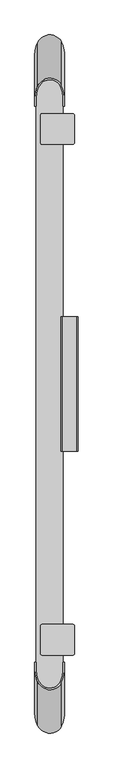
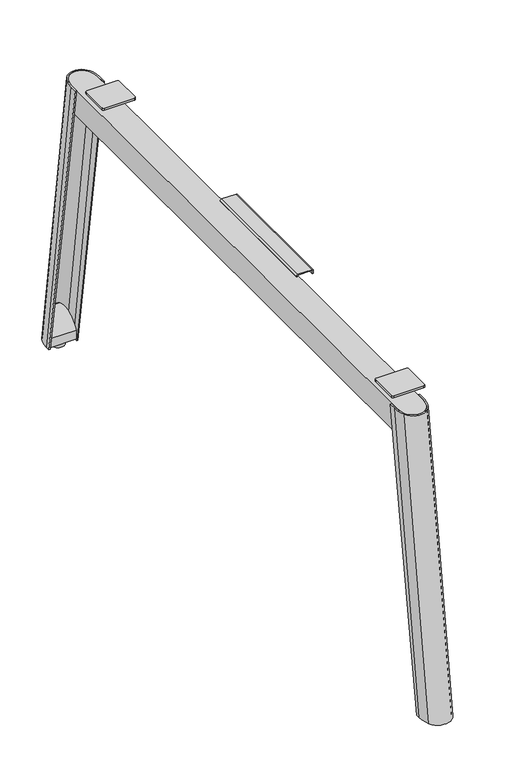
"""IFC4 building model written with IfcOpenShell, lengths in millimetres: furniture geometry."""

from ifc_helpers import new_model, si_unit, point, frame, frame_2d, origin, place, context, project, spatial, polyline, circle_curve, ellipse_curve, trimmed, segment, composite_curve, outline, extrude, source, transform, mapped, element, save
from ifc_brep_helpers import plane_surface, cylinder_surface, extruded_surface, advanced_brep


def furniture_9cd3b379(model_context):
    return source(origin(), model_context, "Body", "SolidModel", [
        advanced_brep(
        [(6.0, 694.5312811, 9.9999392), (6.0, 704.4565799, 9.9999392), (12.3278754, 731.9278157, 9.9999392), (65.9903208, 732.5103717, 9.9999392), (72.000002, 707.657064, 9.9999392), (72.000002, 694.5312811, 9.9999392), (68.8203133, 694.5312811, 9.9999392), (68.8203133, 707.657064, 9.9999392), (64.8959051, 728.2377121, 9.9999392), (13.8271404, 727.926268, 9.9999392), (9.4999998, 704.4565799, 9.9999392), (9.4999998, 694.5312811, 9.9999392), (6.0, 591.0025911, 689.9999617), (9.4999998, 591.0025911, 689.9999617), (9.4999998, 608.2065799, 689.9999617), (13.8271404, 631.676268, 689.9999617), (64.8959051, 631.9877121, 689.9999617), (68.8203133, 611.407064, 689.9999617), (68.8203133, 591.0025911, 689.9999617), (72.000002, 591.0025911, 689.9999617), (72.000002, 611.407064, 689.9999617), (65.9903208, 636.2603717, 689.9999617), (12.3278754, 635.6778157, 689.9999617), (6.0, 608.2065799, 689.9999617)],
        [
            (0, 1),
            (1, 2, circle_curve(frame((68.794442, 704.4565799, 9.9999392), z_axis=(0.0, 0.0, -1.0), x_axis=(1.0, 0.0, 0.0)), 62.794442)),
            (2, 3, circle_curve(frame((39.3047374, 718.8034523, 9.9999392), z_axis=(0.0, 0.0, -1.0), x_axis=(1.0, 0.0, 0.0)), 30.0)),
            (3, 4, circle_curve(frame((17.6041738, 707.657064, 9.9999392), z_axis=(0.0, 0.0, -1.0), x_axis=(1.0, 0.0, 0.0)), 54.3958282)),
            (4, 5),
            (5, 6),
            (6, 7),
            (7, 8, circle_curve(frame((12.8928932, 707.657064, 9.9999392), z_axis=(0.0, 0.0, 1.0), x_axis=(1.0, 0.0, 0.0)), 55.9274201)),
            (8, 9, circle_curve(frame((39.4220553, 718.1562126, 9.9999392), z_axis=(0.0, 0.0, 1.0), x_axis=(1.0, 0.0, 0.0)), 27.3962343)),
            (9, 10, circle_curve(frame((75.3114051, 704.4565799, 9.9999392), z_axis=(0.0, 0.0, 1.0), x_axis=(1.0, 0.0, 0.0)), 65.8114053)),
            (10, 11),
            (11, 0),
            (12, 13),
            (13, 14),
            (14, 15, circle_curve(frame((75.3114051, 608.2065799, 689.9999617), z_axis=(0.0, 0.0, -1.0), x_axis=(1.0, 0.0, 0.0)), 65.8114053)),
            (15, 16, circle_curve(frame((39.4220553, 621.9062126, 689.9999617), z_axis=(0.0, 0.0, -1.0), x_axis=(1.0, 0.0, 0.0)), 27.3962343)),
            (16, 17, circle_curve(frame((12.8928932, 611.407064, 689.9999617), z_axis=(0.0, 0.0, -1.0), x_axis=(1.0, 0.0, 0.0)), 55.9274201)),
            (17, 18),
            (18, 19),
            (19, 20),
            (20, 21, circle_curve(frame((17.6041738, 611.407064, 689.9999617), z_axis=(0.0, 0.0, 1.0), x_axis=(1.0, 0.0, 0.0)), 54.3958282)),
            (21, 22, circle_curve(frame((39.3047374, 622.5534523, 689.9999617), z_axis=(0.0, 0.0, 1.0), x_axis=(1.0, 0.0, 0.0)), 30.0)),
            (22, 23, circle_curve(frame((68.794442, 608.2065799, 689.9999617), z_axis=(0.0, 0.0, 1.0), x_axis=(1.0, 0.0, 0.0)), 62.794442)),
            (23, 12),
            (13, 11),
            (10, 14),
            (9, 15),
            (8, 16),
            (7, 17),
            (6, 18),
            (19, 5),
            (4, 20),
            (3, 21),
            (2, 22),
            (1, 23),
            (0, 12),
        ],
        [
            plane_surface(frame((39.140156, 710.246215, 9.9999392), z_axis=(0.0, 0.0, -1.0), x_axis=(0.0, -1.0, 0.0))),
            plane_surface(frame((39.140156, 611.569985, 689.9999617), z_axis=(0.0, 0.0, 1.0), x_axis=(0.0, -1.0, 0.0))),
            plane_surface(frame((9.4999998, 599.6045855, 689.9999617), z_axis=(1.0, 0.0, 0.0), x_axis=(0.0, -1.0, 0.0))),
            extruded_surface(trimmed(circle_curve(frame((75.3114051, 608.2065799, 689.9999617), z_axis=(0.0, 0.0, 1.0), x_axis=(1.0, 0.0, 0.0)), 65.8114053), [point((13.8271404, 631.676268, 689.9999617))], [point((9.4999998, 608.2065799, 689.9999617))], True, "CARTESIAN"), (0.0, 96.25, -680.0000225), 686.778052284725),
            extruded_surface(trimmed(circle_curve(frame((39.4220553, 621.9062126, 689.9999617), z_axis=(0.0, 0.0, 1.0), x_axis=(1.0, 0.0, 0.0)), 27.3962343), [point((64.8959051, 631.9877121, 689.9999617))], [point((13.8271404, 631.676268, 689.9999617))], True, "CARTESIAN"), (0.0, 96.25, -680.0000225), 686.778052284725),
            extruded_surface(trimmed(circle_curve(frame((12.8928932, 611.407064, 689.9999617), z_axis=(0.0, 0.0, 1.0), x_axis=(1.0, 0.0, 0.0)), 55.9274201), [point((68.8203133, 611.407064, 689.9999617))], [point((64.8959051, 631.9877121, 689.9999617))], True, "CARTESIAN"), (0.0, 96.25, -680.0000225), 686.778052284725),
            plane_surface(frame((68.8203133, 601.2048276, 689.9999617), z_axis=(-1.0, 0.0, 0.0), x_axis=(0.0, 1.0, 0.0))),
            plane_surface(frame((72.000002, 601.2048276, 689.9999617), z_axis=(1.0, 0.0, 0.0), x_axis=(0.0, -1.0, 0.0))),
            extruded_surface(trimmed(circle_curve(frame((17.6041738, 611.407064, 689.9999617), z_axis=(0.0, 0.0, -1.0), x_axis=(1.0, 0.0, 0.0)), 54.3958282), [point((65.9903208, 636.2603717, 689.9999617))], [point((72.000002, 611.407064, 689.9999617))], True, "CARTESIAN"), (0.0, 96.25, -680.0000225), 686.778052284725),
            extruded_surface(trimmed(circle_curve(frame((39.3047374, 622.5534523, 689.9999617), z_axis=(0.0, 0.0, -1.0), x_axis=(1.0, 0.0, 0.0)), 30.0), [point((12.3278754, 635.6778157, 689.9999617))], [point((65.9903208, 636.2603717, 689.9999617))], True, "CARTESIAN"), (0.0, 96.25, -680.0000225), 686.778052284725),
            extruded_surface(trimmed(circle_curve(frame((68.794442, 608.2065799, 689.9999617), z_axis=(0.0, 0.0, -1.0), x_axis=(1.0, 0.0, 0.0)), 62.794442), [point((6.0, 608.2065799, 689.9999617))], [point((12.3278754, 635.6778157, 689.9999617))], True, "CARTESIAN"), (0.0, 96.25, -680.0000225), 686.778052284725),
            plane_surface(frame((6.0, 599.6045855, 689.9999617), z_axis=(-1.0, 0.0, 0.0), x_axis=(0.0, 1.0, 0.0))),
            plane_surface(frame((70.4101576, 591.0025911, 689.9999617), z_axis=(0.0, -0.9886079312598013, -0.15051364805297882), x_axis=(-1.0, 0.0, 0.0))),
            plane_surface(frame((7.7499999, 591.0025911, 689.9999617), z_axis=(0.0, -0.9886079312598013, -0.15051364805297882), x_axis=(-1.0, 0.0, 0.0))),
        ],
        [
            (0, [[1, 2, 3, 4, 5, 6, 7, 8, 9, 10, 11, 12]]),
            (1, [[13, 14, 15, 16, 17, 18, 19, 20, 21, 22, 23, 24]]),
            (2, [[-14, 25, -11, 26]]),
            (3, [[-15, -26, -10, 27]]),
            (4, [[-16, -27, -9, 28]]),
            (5, [[-17, -28, -8, 29]]),
            (6, [[-18, -29, -7, 30]]),
            (7, [[-20, 31, -5, 32]]),
            (8, [[-21, -32, -4, 33]]),
            (9, [[-22, -33, -3, 34]]),
            (10, [[-23, -34, -2, 35]]),
            (11, [[-24, -35, -1, 36]]),
            (12, [[-19, -30, -6, -31]]),
            (13, [[-13, -36, -12, -25]]),
        ],
    ),
        advanced_brep(
        [(54.0138053, 731.4424459, 83.9457941), (24.3065078, 731.4424459, 83.9457941), (68.8203133, 694.5312811, 13.8007201), (9.4999998, 694.5312811, 13.8007201), (9.4999998, 705.7696194, 13.8007201), (68.8203133, 705.7696194, 13.8007201), (68.8203133, 705.7696194, 49.8768028), (68.8203133, 694.5312811, 34.9630241), (9.4999998, 705.7696194, 49.8768028), (9.4999998, 694.5312811, 34.9630241)],
        [
            (0, 1, circle_curve(frame((39.1601565, 705.7696194, 83.9457941), z_axis=(0.0, 0.0, 1.0), x_axis=(1.0, 0.0, 0.0)), 29.6601567)),
            (1, 0),
            (2, 3),
            (3, 4),
            (4, 5, circle_curve(frame((39.1601565, 705.7696194, 13.8007201), z_axis=(0.0, 0.0, -1.0), x_axis=(1.0, 0.0, 0.0)), 29.6601567)),
            (5, 2),
            (5, 6),
            (6, 7),
            (7, 2),
            (4, 8),
            (8, 1, ellipse_curve(frame((39.1601565, 705.7696194, 49.8768028), z_axis=(0.0, 0.7986355100473108, -0.6018150231520244), x_axis=(0.0, 0.6018150231520243, 0.7986355100473108)), 49.284507, 29.6601567)),
            (0, 6, ellipse_curve(frame((39.1601565, 705.7696194, 49.8768028), z_axis=(0.0, 0.7986355100473108, -0.6018150231520244), x_axis=(0.0, 0.6018150231520243, 0.7986355100473108)), 49.284507, 29.6601567)),
            (3, 9),
            (9, 8),
            (7, 9),
        ],
        [
            plane_surface(frame((9.4999998, -743.5060312, 83.9457941), z_axis=(0.0, 0.0, 1.0), x_axis=(-1.0, 0.0, 0.0))),
            plane_surface(frame((9.4999998, -743.5060312, 13.8007201), z_axis=(0.0, 0.0, -1.0), x_axis=(1.0, 0.0, 0.0))),
            plane_surface(frame((68.8203133, 694.5312811, 83.9457941), z_axis=(1.0, 0.0, 0.0), x_axis=(0.0, 0.0, -1.0))),
            cylinder_surface(frame((39.1601565, 705.7696194, 0.0), z_axis=(0.0, 0.0, 1.0), x_axis=(1.0, 0.0, 0.0)), 29.6601567),
            plane_surface(frame((9.4999998, 705.7696194, 83.9457941), z_axis=(-1.0, 0.0, 0.0), x_axis=(0.0, 0.0, -1.0))),
            plane_surface(frame((9.4999998, 694.5312811, 83.9457941), z_axis=(0.0, -1.0, 0.0), x_axis=(0.0, 0.0, -1.0))),
            plane_surface(frame((78.517827, 686.8291209, 24.7419123), z_axis=(0.0, -0.7986355100473108, 0.6018150231520244), x_axis=(-1.0, 0.0, 0.0))),
        ],
        [
            (0, [[1, 2]]),
            (1, [[3, 4, 5, 6]]),
            (2, [[-6, 7, 8, 9]]),
            (3, [[-5, 10, 11, -1, 12, -7]]),
            (4, [[-4, 13, 14, -10]]),
            (5, [[-3, -9, 15, -13]]),
            (6, [[-2, -11, -14, -15, -8, -12]]),
        ],
    ),
        advanced_brep(
        [(25.4867952, -781.4424459, 83.9457941), (52.8335179, -781.4424459, 83.9457941), (68.8203133, -743.5060312, 13.8007201), (68.8203133, -755.1220339, 13.8007201), (9.4999998, -755.1220339, 13.8007201), (9.4999998, -743.5060312, 13.8007201), (9.4999998, -743.5060312, 33.6024715), (68.8203133, -743.5060312, 33.6024715), (9.4999998, -755.1220339, 49.0174277), (68.8203133, -755.1220339, 49.0174277)],
        [
            (0, 1, circle_curve(frame((39.1601565, -755.1220339, 83.9457941), z_axis=(0.0, 0.0, 1.0), x_axis=(1.0, 0.0, 0.0)), 29.6601567)),
            (1, 0),
            (2, 3),
            (3, 4, circle_curve(frame((39.1601565, -755.1220339, 13.8007201), z_axis=(0.0, 0.0, -1.0), x_axis=(1.0, 0.0, 0.0)), 29.6601567)),
            (4, 5),
            (5, 2),
            (5, 6),
            (6, 7),
            (7, 2),
            (4, 8),
            (8, 6),
            (3, 9),
            (9, 1, ellipse_curve(frame((39.1601565, -755.1220339, 49.0174277), z_axis=(0.0, -0.7986355100473068, -0.6018150231520298), x_axis=(0.0, -0.60181502315203, 0.7986355100473068)), 49.284507, 29.6601567)),
            (0, 8, ellipse_curve(frame((39.1601565, -755.1220339, 49.0174277), z_axis=(0.0, -0.7986355100473068, -0.6018150231520298), x_axis=(0.0, -0.60181502315203, 0.7986355100473068)), 49.284507, 29.6601567)),
            (7, 9),
        ],
        [
            plane_surface(frame((9.4999998, -743.5060312, 83.9457941), z_axis=(0.0, 0.0, 1.0), x_axis=(-1.0, 0.0, 0.0))),
            plane_surface(frame((9.4999998, -743.5060312, 13.8007201), z_axis=(0.0, 0.0, -1.0), x_axis=(1.0, 0.0, 0.0))),
            plane_surface(frame((68.8203133, -743.5060312, 83.9457941), z_axis=(0.0, 1.0, 0.0), x_axis=(0.0, 0.0, -1.0))),
            plane_surface(frame((9.4999998, -743.5060312, 83.9457941), z_axis=(-1.0, 0.0, 0.0), x_axis=(0.0, 0.0, -1.0))),
            cylinder_surface(frame((39.1601565, -755.1220339, 13.8007201), z_axis=(0.0, 0.0, 1.0), x_axis=(1.0, 0.0, 0.0)), 29.6601567),
            plane_surface(frame((68.8203133, -755.1220339, 83.9457941), z_axis=(1.0, 0.0, 0.0), x_axis=(0.0, 0.0, -1.0))),
            plane_surface(frame((78.517827, -784.9743228, 88.6327531), z_axis=(0.0, 0.7986355100473068, 0.6018150231520298), x_axis=(-1.0, 0.0, 0.0))),
        ],
        [
            (0, [[1, 2]]),
            (1, [[3, 4, 5, 6]]),
            (2, [[-6, 7, 8, 9]]),
            (3, [[-5, 10, 11, -7]]),
            (4, [[-4, 12, 13, -1, 14, -10]]),
            (5, [[-3, -9, 15, -12]]),
            (6, [[-2, -13, -15, -8, -11, -14]]),
        ],
    ),
        advanced_brep(
        [(39.0898793, -765.95, 0.0), (24.8827886, -765.95, 0.0), (53.2969699, -765.95, 0.0), (24.8827886, -765.95, 8.4999997), (53.2969699, -765.95, 8.4999997), (34.0654403, -765.95, 8.4999997), (44.1143182, -765.95, 8.4999997), (34.0654403, -765.95, 16.425781), (44.1143182, -765.95, 16.425781), (39.0898793, -765.95, 16.425781)],
        [
            (0, 1),
            (1, 2, circle_curve(frame((39.0898793, -765.95, 0.0), z_axis=(0.0, 0.0, -1.0), x_axis=(-1.0, 0.0, 0.0)), 14.2070907)),
            (2, 0),
            (2, 1, circle_curve(frame((39.0898793, -765.95, 0.0), z_axis=(0.0, 0.0, -1.0), x_axis=(-1.0, 0.0, 0.0)), 14.2070907)),
            (1, 3),
            (3, 4, circle_curve(frame((39.0898793, -765.95, 8.4999997), z_axis=(0.0, 0.0, -1.0), x_axis=(-1.0, 0.0, 0.0)), 14.2070907)),
            (4, 2),
            (4, 3, circle_curve(frame((39.0898793, -765.95, 8.4999997), z_axis=(0.0, 0.0, -1.0), x_axis=(-1.0, 0.0, 0.0)), 14.2070907)),
            (3, 5),
            (5, 6, circle_curve(frame((39.0898793, -765.95, 8.4999997), z_axis=(0.0, 0.0, -1.0), x_axis=(-1.0, 0.0, 0.0)), 5.024439)),
            (6, 4),
            (6, 5, circle_curve(frame((39.0898793, -765.95, 8.4999997), z_axis=(0.0, 0.0, -1.0), x_axis=(-1.0, 0.0, 0.0)), 5.024439)),
            (5, 7),
            (7, 8, circle_curve(frame((39.0898793, -765.95, 16.425781), z_axis=(0.0, 0.0, -1.0), x_axis=(-1.0, 0.0, 0.0)), 5.024439)),
            (8, 6),
            (8, 7, circle_curve(frame((39.0898793, -765.95, 16.425781), z_axis=(0.0, 0.0, -1.0), x_axis=(-1.0, 0.0, 0.0)), 5.024439)),
            (7, 9),
            (9, 8),
        ],
        [
            plane_surface(frame((39.0898793, -765.95, 0.0), z_axis=(0.0, 0.0, -1.0), x_axis=(-1.0, 0.0, 0.0))),
            cylinder_surface(frame((39.0898793, -765.95, 16.425781), z_axis=(0.0, 0.0, -1.0), x_axis=(-1.0, 0.0, 0.0)), 14.2070907),
            plane_surface(frame((39.0898793, -765.95, 8.4999997), z_axis=(0.0, 0.0, 1.0), x_axis=(-1.0, 0.0, 0.0))),
            cylinder_surface(frame((39.0898793, -765.95, 16.425781), z_axis=(0.0, 0.0, -1.0), x_axis=(-1.0, 0.0, 0.0)), 5.024439),
            plane_surface(frame((39.0898793, -765.95, 16.425781), z_axis=(0.0, 0.0, 1.0), x_axis=(-1.0, 0.0, 0.0))),
        ],
        [
            (0, [[1, 2, 3]]),
            (0, [[-3, 4, -1]]),
            (1, [[-2, 5, 6, 7]]),
            (1, [[-4, -7, 8, -5]]),
            (2, [[-6, 9, 10, 11]]),
            (2, [[-8, -11, 12, -9]]),
            (3, [[-10, 13, 14, 15]]),
            (3, [[-12, -15, 16, -13]]),
            (4, [[-14, 17, 18]]),
            (4, [[-16, -18, -17]]),
        ],
    ),
        advanced_brep(
        [(53.2969699, 715.95, 0.0), (24.8827886, 715.95, 0.0), (39.0898793, 715.95, 0.0), (53.2969699, 715.95, 8.4999997), (24.8827886, 715.95, 8.4999997), (44.1143182, 715.95, 8.4999997), (34.0654403, 715.95, 8.4999997), (44.1143182, 715.95, 16.425781), (34.0654403, 715.95, 16.425781), (39.0898793, 715.95, 16.425781)],
        [
            (0, 1, circle_curve(frame((39.0898793, 715.95, 0.0), z_axis=(0.0, 0.0, -1.0), x_axis=(-1.0, 0.0, 0.0)), 14.2070907)),
            (1, 2),
            (2, 0),
            (1, 0, circle_curve(frame((39.0898793, 715.95, 0.0), z_axis=(0.0, 0.0, -1.0), x_axis=(-1.0, 0.0, 0.0)), 14.2070907)),
            (3, 4, circle_curve(frame((39.0898793, 715.95, 8.4999997), z_axis=(0.0, 0.0, -1.0), x_axis=(-1.0, 0.0, 0.0)), 14.2070907)),
            (4, 1),
            (0, 3),
            (4, 3, circle_curve(frame((39.0898793, 715.95, 8.4999997), z_axis=(0.0, 0.0, -1.0), x_axis=(-1.0, 0.0, 0.0)), 14.2070907)),
            (5, 6, circle_curve(frame((39.0898793, 715.95, 8.4999997), z_axis=(0.0, 0.0, -1.0), x_axis=(-1.0, 0.0, 0.0)), 5.024439)),
            (6, 4),
            (3, 5),
            (6, 5, circle_curve(frame((39.0898793, 715.95, 8.4999997), z_axis=(0.0, 0.0, -1.0), x_axis=(-1.0, 0.0, 0.0)), 5.024439)),
            (7, 8, circle_curve(frame((39.0898793, 715.95, 16.425781), z_axis=(0.0, 0.0, -1.0), x_axis=(-1.0, 0.0, 0.0)), 5.024439)),
            (8, 6),
            (5, 7),
            (8, 7, circle_curve(frame((39.0898793, 715.95, 16.425781), z_axis=(0.0, 0.0, -1.0), x_axis=(-1.0, 0.0, 0.0)), 5.024439)),
            (9, 8),
            (7, 9),
        ],
        [
            plane_surface(frame((39.0898793, 715.95, 0.0), z_axis=(0.0, 0.0, -1.0), x_axis=(-1.0, 0.0, 0.0))),
            cylinder_surface(frame((39.0898793, 715.95, 16.425781), z_axis=(0.0, 0.0, 1.0), x_axis=(-1.0, 0.0, 0.0)), 14.2070907),
            plane_surface(frame((39.0898793, 715.95, 8.4999997), z_axis=(0.0, 0.0, 1.0), x_axis=(-1.0, 0.0, 0.0))),
            cylinder_surface(frame((39.0898793, 715.95, 16.425781), z_axis=(0.0, 0.0, 1.0), x_axis=(-1.0, 0.0, 0.0)), 5.024439),
            plane_surface(frame((39.0898793, 715.95, 16.425781), z_axis=(0.0, 0.0, 1.0), x_axis=(-1.0, 0.0, 0.0))),
        ],
        [
            (0, [[1, 2, 3]]),
            (0, [[4, -3, -2]]),
            (1, [[5, 6, -1, 7]]),
            (1, [[8, -7, -4, -6]]),
            (2, [[9, 10, -5, 11]]),
            (2, [[12, -11, -8, -10]]),
            (3, [[13, 14, -9, 15]]),
            (3, [[16, -15, -12, -14]]),
            (4, [[17, -13, 18]]),
            (4, [[-18, -16, -17]]),
        ],
    ),
        advanced_brep(
        [(6.0, -744.5312811, 9.9999392), (9.4999998, -744.5312811, 9.9999392), (9.4999998, -753.8089943, 9.9999392), (13.8271404, -777.2786824, 9.9999392), (64.8959051, -777.5901265, 9.9999392), (68.8203133, -757.0094785, 9.9999392), (68.8203133, -744.5312811, 9.9999392), (72.000002, -744.5312811, 9.9999392), (72.000002, -757.0094785, 9.9999392), (65.9903208, -781.8627861, 9.9999392), (12.3278754, -781.2802302, 9.9999392), (6.0, -753.8089943, 9.9999392), (6.0, -641.0025911, 689.9999617), (6.0, -657.5589943, 689.9999617), (12.3278754, -685.0302302, 689.9999617), (65.9903208, -685.6127861, 689.9999617), (72.000002, -660.7594785, 689.9999617), (72.000002, -641.0025911, 689.9999617), (68.8203133, -641.0025911, 689.9999617), (68.8203133, -660.7594785, 689.9999617), (64.8959051, -681.3401265, 689.9999617), (13.8271404, -681.0286824, 689.9999617), (9.4999998, -657.5589943, 689.9999617), (9.4999998, -641.0025911, 689.9999617)],
        [
            (0, 1),
            (1, 2),
            (2, 3, circle_curve(frame((75.3114051, -753.8089943, 9.9999392), z_axis=(0.0, 0.0, 1.0), x_axis=(1.0, 0.0, 0.0)), 65.8114053)),
            (3, 4, circle_curve(frame((39.4220553, -767.5086271, 9.9999392), z_axis=(0.0, 0.0, 1.0), x_axis=(1.0, 0.0, 0.0)), 27.3962343)),
            (4, 5, circle_curve(frame((12.8928932, -757.0094785, 9.9999392), z_axis=(0.0, 0.0, 1.0), x_axis=(1.0, 0.0, 0.0)), 55.9274201)),
            (5, 6),
            (6, 7),
            (7, 8),
            (8, 9, circle_curve(frame((17.6041738, -757.0094785, 9.9999392), z_axis=(0.0, 0.0, -1.0), x_axis=(1.0, 0.0, 0.0)), 54.3958282)),
            (9, 10, circle_curve(frame((39.3047374, -768.1558668, 9.9999392), z_axis=(0.0, 0.0, -1.0), x_axis=(1.0, 0.0, 0.0)), 30.0)),
            (10, 11, circle_curve(frame((68.794442, -753.8089943, 9.9999392), z_axis=(0.0, 0.0, -1.0), x_axis=(1.0, 0.0, 0.0)), 62.794442)),
            (11, 0),
            (12, 13),
            (13, 14, circle_curve(frame((68.794442, -657.5589943, 689.9999617), z_axis=(0.0, 0.0, 1.0), x_axis=(1.0, 0.0, 0.0)), 62.794442)),
            (14, 15, circle_curve(frame((39.3047374, -671.9058668, 689.9999617), z_axis=(0.0, 0.0, 1.0), x_axis=(1.0, 0.0, 0.0)), 30.0)),
            (15, 16, circle_curve(frame((17.6041738, -660.7594785, 689.9999617), z_axis=(0.0, 0.0, 1.0), x_axis=(1.0, 0.0, 0.0)), 54.3958282)),
            (16, 17),
            (17, 18),
            (18, 19),
            (19, 20, circle_curve(frame((12.8928932, -660.7594785, 689.9999617), z_axis=(0.0, 0.0, -1.0), x_axis=(1.0, 0.0, 0.0)), 55.9274201)),
            (20, 21, circle_curve(frame((39.4220553, -671.2586271, 689.9999617), z_axis=(0.0, 0.0, -1.0), x_axis=(1.0, 0.0, 0.0)), 27.3962343)),
            (21, 22, circle_curve(frame((75.3114051, -657.5589943, 689.9999617), z_axis=(0.0, 0.0, -1.0), x_axis=(1.0, 0.0, 0.0)), 65.8114053)),
            (22, 23),
            (23, 12),
            (22, 2),
            (1, 23),
            (21, 3),
            (20, 4),
            (19, 5),
            (18, 6),
            (16, 8),
            (7, 17),
            (15, 9),
            (14, 10),
            (13, 11),
            (12, 0),
        ],
        [
            plane_surface(frame((39.140156, -759.8144913, 9.9999392), z_axis=(0.0, 0.0, -1.0), x_axis=(0.0, -1.0, 0.0))),
            plane_surface(frame((39.140156, -661.1382613, 689.9999617), z_axis=(0.0, 0.0, 1.0), x_axis=(0.0, -1.0, 0.0))),
            plane_surface(frame((9.4999998, -649.2807927, 689.9999617), z_axis=(1.0, 0.0, 0.0), x_axis=(0.0, -1.0, 0.0))),
            extruded_surface(trimmed(circle_curve(frame((75.3114051, -657.5589943, 689.9999617), z_axis=(0.0, 0.0, 1.0), x_axis=(1.0, 0.0, 0.0)), 65.8114053), [point((9.4999998, -657.5589943, 689.9999617))], [point((13.8271404, -681.0286824, 689.9999617))], True, "CARTESIAN"), (0.0, -96.25, -680.0000225), 686.778052284725),
            extruded_surface(trimmed(circle_curve(frame((39.4220553, -671.2586271, 689.9999617), z_axis=(0.0, 0.0, 1.0), x_axis=(1.0, 0.0, 0.0)), 27.3962343), [point((13.8271404, -681.0286824, 689.9999617))], [point((64.8959051, -681.3401265, 689.9999617))], True, "CARTESIAN"), (0.0, -96.25, -680.0000225), 686.778052284725),
            extruded_surface(trimmed(circle_curve(frame((12.8928932, -660.7594785, 689.9999617), z_axis=(0.0, 0.0, 1.0), x_axis=(1.0, 0.0, 0.0)), 55.9274201), [point((64.8959051, -681.3401265, 689.9999617))], [point((68.8203133, -660.7594785, 689.9999617))], True, "CARTESIAN"), (0.0, -96.25, -680.0000225), 686.778052284725),
            plane_surface(frame((68.8203133, -650.8810348, 689.9999617), z_axis=(-1.0, 0.0, 0.0), x_axis=(0.0, 1.0, 0.0))),
            plane_surface(frame((72.000002, -650.8810348, 689.9999617), z_axis=(1.0, 0.0, 0.0), x_axis=(0.0, -1.0, 0.0))),
            extruded_surface(trimmed(circle_curve(frame((17.6041738, -660.7594785, 689.9999617), z_axis=(0.0, 0.0, -1.0), x_axis=(1.0, 0.0, 0.0)), 54.3958282), [point((72.000002, -660.7594785, 689.9999617))], [point((65.9903208, -685.6127861, 689.9999617))], True, "CARTESIAN"), (0.0, -96.25, -680.0000225), 686.778052284725),
            extruded_surface(trimmed(circle_curve(frame((39.3047374, -671.9058668, 689.9999617), z_axis=(0.0, 0.0, -1.0), x_axis=(1.0, 0.0, 0.0)), 30.0), [point((65.9903208, -685.6127861, 689.9999617))], [point((12.3278754, -685.0302302, 689.9999617))], True, "CARTESIAN"), (0.0, -96.25, -680.0000225), 686.778052284725),
            extruded_surface(trimmed(circle_curve(frame((68.794442, -657.5589943, 689.9999617), z_axis=(0.0, 0.0, -1.0), x_axis=(1.0, 0.0, 0.0)), 62.794442), [point((12.3278754, -685.0302302, 689.9999617))], [point((6.0, -657.5589943, 689.9999617))], True, "CARTESIAN"), (0.0, -96.25, -680.0000225), 686.778052284725),
            plane_surface(frame((6.0, -649.2807927, 689.9999617), z_axis=(-1.0, 0.0, 0.0), x_axis=(0.0, 1.0, 0.0))),
            plane_surface(frame((70.4101576, -641.0025911, 689.9999617), z_axis=(0.0, 0.9886079312598016, -0.1505136480529775), x_axis=(1.0, 0.0, 0.0))),
            plane_surface(frame((7.7499999, -641.0025911, 689.9999617), z_axis=(0.0, 0.9886079312598016, -0.1505136480529775), x_axis=(1.0, 0.0, 0.0))),
        ],
        [
            (0, [[1, 2, 3, 4, 5, 6, 7, 8, 9, 10, 11, 12]]),
            (1, [[13, 14, 15, 16, 17, 18, 19, 20, 21, 22, 23, 24]]),
            (2, [[-23, 25, -2, 26]]),
            (3, [[-22, 27, -3, -25]]),
            (4, [[-21, 28, -4, -27]]),
            (5, [[-20, 29, -5, -28]]),
            (6, [[-19, 30, -6, -29]]),
            (7, [[-17, 31, -8, 32]]),
            (8, [[-16, 33, -9, -31]]),
            (9, [[-15, 34, -10, -33]]),
            (10, [[-14, 35, -11, -34]]),
            (11, [[-13, 36, -12, -35]]),
            (12, [[-18, -32, -7, -30]]),
            (13, [[-24, -26, -1, -36]]),
        ],
    ),
        extrude(outline(composite_curve([segment(polyline([(684.9999762, 101.9999968), (692.2639206, 101.9999968)]), True, "CONTINUOUS"), segment(trimmed(circle_curve(frame_2d((692.2639206, 99.2639174)), 2.7360794), [point((692.2639206, 101.9999968))], [point((695.0, 99.2639174))], False, "CARTESIAN"), True, "CONTINUOUS"), segment(polyline([(695.0, 99.2639174), (695.0, 67.4243659)]), True, "CONTINUOUS"), segment(trimmed(circle_curve(frame_2d((691.5717269, 67.4243659)), 3.4282731), [point((695.0, 67.4243659))], [point((691.5717269, 63.9960928))], False, "CARTESIAN"), True, "CONTINUOUS"), segment(polyline([(691.5717269, 63.9960928), (659.9999033, 63.9960928), (659.9999033, 66.0000003), (691.8821336, 66.0000003)]), True, "CONTINUOUS"), segment(trimmed(circle_curve(frame_2d((691.8821336, 67.1177906)), 1.1177903), [point((691.8821336, 66.0000003))], [point((692.9999239, 67.1177906))], True, "CARTESIAN"), True, "CONTINUOUS"), segment(polyline([(692.9999239, 67.1177906), (692.9999239, 99.3771905)]), True, "CONTINUOUS"), segment(trimmed(circle_curve(frame_2d((692.3771136, 99.3771905)), 0.6228103), [point((692.9999239, 99.3771905))], [point((692.3771136, 100.0000008))], True, "CARTESIAN"), True, "CONTINUOUS"), segment(polyline([(692.3771136, 100.0000008), (684.9999762, 100.0000008), (684.9999762, 101.9999968)]), True, "CONTINUOUS")], self_intersect=False)), frame((0.0, -173.7072561, 0.0), z_axis=(0.0, 1.0, 0.0), x_axis=(0.0, 0.0, 1.0)), (0.0, 0.0, 1.0), 297.4145122),
        extrude(outline(composite_curve([segment(trimmed(circle_curve(frame_2d((90.5088092, 570.5613339)), 3.4951004), [point((90.5088092, 574.0564343))], [point((94.0039096, 570.5613339))], False, "CARTESIAN"), True, "CONTINUOUS"), segment(polyline([(94.0039096, 570.5613339), (94.0039096, 509.5564425)]), True, "CONTINUOUS"), segment(trimmed(circle_curve(frame_2d((90.5039096, 509.5564425)), 3.5), [point((94.0039096, 509.5564425))], [point((90.5039096, 506.0564425))], False, "CARTESIAN"), True, "CONTINUOUS"), segment(polyline([(90.5039096, 506.0564425), (22.5039068, 506.0564425)]), True, "CONTINUOUS"), segment(trimmed(circle_curve(frame_2d((22.5039068, 509.5564425)), 3.5), [point((22.5039068, 506.0564425))], [point((19.0039068, 509.5564425))], False, "CARTESIAN"), True, "CONTINUOUS"), segment(polyline([(19.0039068, 509.5564425), (19.0039068, 570.5564343)]), True, "CONTINUOUS"), segment(trimmed(circle_curve(frame_2d((22.5039068, 570.5564343)), 3.5), [point((19.0039068, 570.5564343))], [point((22.5039068, 574.0564343))], False, "CARTESIAN"), True, "CONTINUOUS"), segment(polyline([(22.5039068, 574.0564343), (90.5088092, 574.0564343)]), True, "CONTINUOUS")], self_intersect=False)), frame((0.0, 0.0, 689.9999617), z_axis=(0.0, 0.0, 1.0), x_axis=(1.0, 0.0, 0.0)), (0.0, 0.0, 1.0), 5.0000383),
        extrude(outline(composite_curve([segment(polyline([(90.5088092, -625.3064343), (22.5039068, -625.3064343)]), True, "CONTINUOUS"), segment(trimmed(circle_curve(frame_2d((22.5039068, -621.8064343)), 3.5), [point((22.5039068, -625.3064343))], [point((19.0039068, -621.8064343))], False, "CARTESIAN"), True, "CONTINUOUS"), segment(polyline([(19.0039068, -621.8064343), (19.0039068, -560.8064425)]), True, "CONTINUOUS"), segment(trimmed(circle_curve(frame_2d((22.5039068, -560.8064425)), 3.5), [point((19.0039068, -560.8064425))], [point((22.5039068, -557.3064425))], False, "CARTESIAN"), True, "CONTINUOUS"), segment(polyline([(22.5039068, -557.3064425), (90.5039096, -557.3064425)]), True, "CONTINUOUS"), segment(trimmed(circle_curve(frame_2d((90.5039096, -560.8064425)), 3.5), [point((90.5039096, -557.3064425))], [point((94.0039096, -560.8064425))], False, "CARTESIAN"), True, "CONTINUOUS"), segment(polyline([(94.0039096, -560.8064425), (94.0039096, -621.8113339)]), True, "CONTINUOUS"), segment(trimmed(circle_curve(frame_2d((90.5088092, -621.8113339)), 3.4951004), [point((94.0039096, -621.8113339))], [point((90.5088092, -625.3064343))], False, "CARTESIAN"), True, "CONTINUOUS")], self_intersect=False)), frame((0.0, 0.0, 689.9999617), z_axis=(0.0, 0.0, 1.0), x_axis=(1.0, 0.0, 0.0)), (0.0, 0.0, 1.0), 5.0000383),
        extrude(outline(composite_curve([segment(trimmed(circle_curve(frame_2d((39.1601565, 620.017596)), 29.6601567), [point((9.4999998, 620.017596))], [point((68.8203133, 620.017596))], False, "CARTESIAN"), True, "CONTINUOUS"), segment(polyline([(68.8203133, 620.017596), (68.8203133, -669.5794427)]), True, "CONTINUOUS"), segment(trimmed(circle_curve(frame_2d((39.1601565, -669.5794427)), 29.6601567), [point((68.8203133, -669.5794427))], [point((9.4999998, -669.5794427))], False, "CARTESIAN"), True, "CONTINUOUS"), segment(polyline([(9.4999998, -669.5794427), (9.4999998, 620.017596)]), True, "CONTINUOUS")], self_intersect=False)), frame((0.0, 0.0, 629.5582913), z_axis=(0.0, 0.0, 1.0), x_axis=(1.0, 0.0, 0.0)), (0.0, 0.0, 1.0), 60.4416704),
    ])


if __name__ == "__main__":
    model = new_model("IFC4")
    model_context = context("Model", 3, world=origin())
    ifc_project = project(units=[si_unit("LENGTHUNIT", "METRE", prefix="MILLI")], contexts=[model_context])
    site = spatial("IfcSite", under=ifc_project)
    building = spatial("IfcBuilding", under=site)
    placement = place(None, origin())
    furniture_shape = furniture_9cd3b379(model_context)
    element("IfcFurniture", 1, at=placement, inside=building, context=model_context, shape_type="MappedRepresentation", body=[
        mapped(furniture_shape, transform((0.0, 0.0, 0.0), x_axis=(1.0, 0.0, 0.0), y_axis=(0.0, 1.0, 0.0), z_axis=(0.0, 0.0, 1.0))),
    ])
    save(model, "model.ifc")
